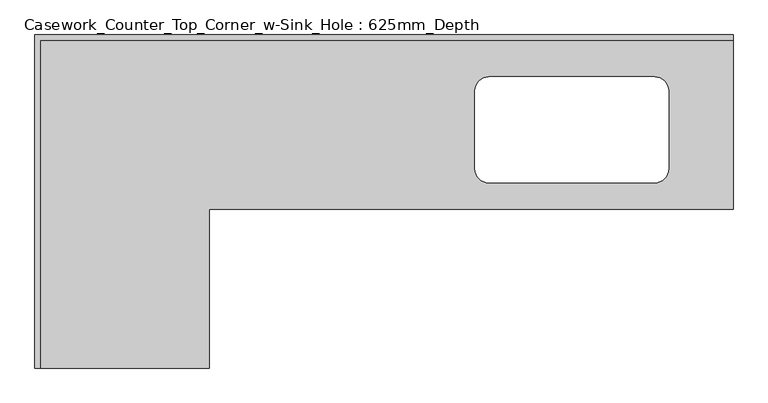
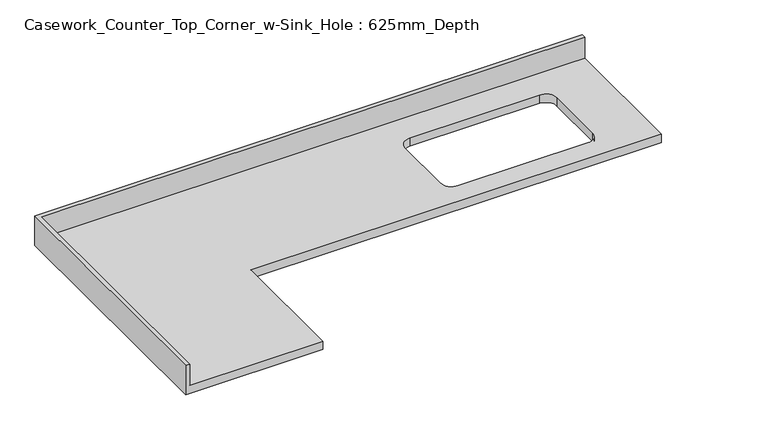
"""IFC4 building model written with IfcOpenShell, lengths in millimetres: furniture geometry, Casework_Counter_Top_Corner_w-Sink_Hole : 625mm_Depth."""

from ifc_helpers import new_model, si_unit, frame, origin, place, context, project, spatial, polyline, circle_curve, source, transform, mapped, element, save
from ifc_brep_helpers import plane_surface, revolved_surface, advanced_brep


def casework_counter_top_corner_w_sink_hole_625mm_depth_dcf650e9(model_context):
    return source(origin(), model_context, "Body", "AdvancedBrep", [
        advanced_brep(
        [(-575.4622951, -1192.8899066, 900.0), (-575.4622951, -625.0, 900.0), (1299.5377049, -625.0, 900.0), (1299.5377049, -19.05, 900.0), (-1181.4122951, -19.05, 900.0), (-1181.4122951, -1192.8899066, 900.0), (1018.2632325, -150.0, 900.0), (1068.2632325, -200.0, 900.0), (1068.2632325, -480.0, 900.0), (1018.2632325, -530.0, 900.0), (425.2827097, -530.0, 900.0), (375.2827097, -480.0, 900.0), (375.2827097, -200.0, 900.0), (425.2827097, -150.0, 900.0), (1299.5377049, 0.0, 860.0), (1299.5377049, -625.0, 860.0), (-575.4622951, -625.0, 860.0), (-575.4622951, -1192.8899066, 860.0), (-1200.4622951, -1192.8899066, 860.0), (-1200.4622951, 0.0, 860.0), (1018.2632325, -150.0, 860.0), (425.2827097, -150.0, 860.0), (375.2827097, -200.0, 860.0), (375.2827097, -480.0, 860.0), (425.2827097, -530.0, 860.0), (1018.2632325, -530.0, 860.0), (1068.2632325, -480.0, 860.0), (1068.2632325, -200.0, 860.0), (-1200.4622951, 0.0, 1001.6), (1299.5377049, 0.0, 1001.6), (-1200.4622951, -1192.8899066, 1001.6), (-1181.4122951, -1192.8899066, 1001.6), (1299.5377049, -19.05, 1001.6), (-1181.4122951, -19.05, 1001.6)],
        [
            (0, 1),
            (1, 2),
            (2, 3),
            (3, 4),
            (4, 5),
            (5, 0),
            (6, 7, circle_curve(frame((1018.2632325, -200.0, 900.0), z_axis=(0.0, 0.0, -1.0), x_axis=(1.0, 0.0, 0.0)), 50.0)),
            (7, 8),
            (8, 9, circle_curve(frame((1018.2632325, -480.0, 900.0), z_axis=(0.0, 0.0, -1.0), x_axis=(1.0, 0.0, 0.0)), 50.0)),
            (9, 10),
            (10, 11, circle_curve(frame((425.2827097, -480.0, 900.0), z_axis=(0.0, 0.0, -1.0), x_axis=(1.0, 0.0, 0.0)), 50.0)),
            (11, 12),
            (12, 13, circle_curve(frame((425.2827097, -200.0, 900.0), z_axis=(0.0, 0.0, -1.0), x_axis=(1.0, 0.0, 0.0)), 50.0)),
            (13, 6),
            (14, 15),
            (15, 16),
            (16, 17),
            (17, 18),
            (18, 19),
            (19, 14),
            (20, 21),
            (21, 22, circle_curve(frame((425.2827097, -200.0, 860.0), z_axis=(0.0, 0.0, 1.0), x_axis=(1.0, 0.0, 0.0)), 50.0)),
            (22, 23),
            (23, 24, circle_curve(frame((425.2827097, -480.0, 860.0), z_axis=(0.0, 0.0, 1.0), x_axis=(1.0, 0.0, 0.0)), 50.0)),
            (24, 25),
            (25, 26, circle_curve(frame((1018.2632325, -480.0, 860.0), z_axis=(0.0, 0.0, 1.0), x_axis=(1.0, 0.0, 0.0)), 50.0)),
            (26, 27),
            (27, 20, circle_curve(frame((1018.2632325, -200.0, 860.0), z_axis=(0.0, 0.0, 1.0), x_axis=(1.0, 0.0, 0.0)), 50.0)),
            (19, 28),
            (28, 29),
            (29, 14),
            (18, 30),
            (30, 28),
            (17, 0),
            (5, 31),
            (31, 30),
            (16, 1),
            (15, 2),
            (29, 32),
            (32, 3),
            (6, 20),
            (27, 7),
            (26, 8),
            (25, 9),
            (24, 10),
            (23, 11),
            (22, 12),
            (21, 13),
            (31, 33),
            (33, 32),
            (33, 4),
        ],
        [
            plane_surface(frame((-1200.4622951, 0.0, 900.0), z_axis=(0.0, 0.0, 1.0), x_axis=(-1.0, 0.0, 0.0))),
            plane_surface(frame((-1200.4622951, 0.0, 860.0), z_axis=(0.0, 0.0, -1.0), x_axis=(1.0, 0.0, 0.0))),
            plane_surface(frame((1299.5377049, 0.0, 900.0), z_axis=(0.0, 1.0, 0.0), x_axis=(0.0, 0.0, -1.0))),
            plane_surface(frame((-1200.4622951, 0.0, 900.0), z_axis=(-1.0, 0.0, 0.0), x_axis=(0.0, 0.0, -1.0))),
            plane_surface(frame((-1200.4622951, -1192.8899066, 900.0), z_axis=(0.0, -1.0, 0.0), x_axis=(0.0, 0.0, -1.0))),
            plane_surface(frame((-575.4622951, -1192.8899066, 900.0), z_axis=(1.0, 0.0, 0.0), x_axis=(0.0, 0.0, -1.0))),
            plane_surface(frame((-575.4622951, -625.0, 900.0), z_axis=(0.0, -1.0, 0.0), x_axis=(0.0, 0.0, -1.0))),
            plane_surface(frame((1299.5377049, -625.0, 900.0), z_axis=(1.0, 0.0, 0.0), x_axis=(0.0, 0.0, -1.0))),
            revolved_surface(polyline([(1068.2632325, -200.0, 860.0), (1068.2632325, -200.0, 900.0)]), (1018.2632325, -200.0, 0.0), (0.0, 0.0, -1.0)),
            plane_surface(frame((1068.2632325, -200.0, 900.0), z_axis=(-1.0, 0.0, 0.0), x_axis=(0.0, 0.0, -1.0))),
            revolved_surface(polyline([(1068.2632325, -480.0, 860.0), (1068.2632325, -480.0, 900.0)]), (1018.2632325, -480.0, 0.0), (0.0, 0.0, -1.0)),
            plane_surface(frame((1018.2632325, -530.0, 900.0), z_axis=(0.0, 1.0, 0.0), x_axis=(0.0, 0.0, -1.0))),
            revolved_surface(polyline([(475.2827097, -480.0, 860.0), (475.2827097, -480.0, 900.0)]), (425.2827097, -480.0, 0.0), (0.0, 0.0, -1.0)),
            plane_surface(frame((375.2827097, -480.0, 900.0), z_axis=(1.0, 0.0, 0.0), x_axis=(0.0, 0.0, -1.0))),
            revolved_surface(polyline([(475.2827097, -200.0, 860.0), (475.2827097, -200.0, 900.0)]), (425.2827097, -200.0, 0.0), (0.0, 0.0, -1.0)),
            plane_surface(frame((425.2827097, -150.0, 900.0), z_axis=(0.0, -1.0, 0.0), x_axis=(0.0, 0.0, -1.0))),
            plane_surface(frame((-1200.4622951, 0.0, 1001.6), z_axis=(0.0, 0.0, 1.0), x_axis=(0.0, -1.0, 0.0))),
            plane_surface(frame((-1200.4622951, -19.05, 1001.6), z_axis=(0.0, -1.0, 0.0), x_axis=(0.0, 0.0, -1.0))),
            plane_surface(frame((-1181.4122951, -1192.8899066, 1001.6), z_axis=(1.0, 0.0, 0.0), x_axis=(0.0, 0.0, -1.0))),
        ],
        [
            (0, [[1, 2, 3, 4, 5, 6], [7, 8, 9, 10, 11, 12, 13, 14]]),
            (1, [[15, 16, 17, 18, 19, 20], [21, 22, 23, 24, 25, 26, 27, 28]]),
            (2, [[-20, 29, 30, 31]]),
            (3, [[-19, 32, 33, -29]]),
            (4, [[-32, -18, 34, -6, 35, 36]]),
            (5, [[-1, -34, -17, 37]]),
            (6, [[-2, -37, -16, 38]]),
            (7, [[-15, -31, 39, 40, -3, -38]]),
            (8, [[-7, 41, -28, 42]]),
            (9, [[-8, -42, -27, 43]]),
            (10, [[-9, -43, -26, 44]]),
            (11, [[-10, -44, -25, 45]]),
            (12, [[-11, -45, -24, 46]]),
            (13, [[-12, -46, -23, 47]]),
            (14, [[-13, -47, -22, 48]]),
            (15, [[-14, -48, -21, -41]]),
            (16, [[-33, -36, 49, 50, -39, -30]]),
            (17, [[-40, -50, 51, -4]]),
            (18, [[-49, -35, -5, -51]]),
        ],
    ),
    ])


if __name__ == "__main__":
    model = new_model("IFC4")
    model_context = context("Model", 3, world=origin())
    ifc_project = project(units=[si_unit("LENGTHUNIT", "METRE", prefix="MILLI")], contexts=[model_context])
    site = spatial("IfcSite", under=ifc_project)
    building = spatial("IfcBuilding", under=site)
    placement = place(None, origin())
    casework_counter_top_corner_w_sink_hole_625mm_depth_shape = casework_counter_top_corner_w_sink_hole_625mm_depth_dcf650e9(model_context)
    element("IfcFurniture", 1, ObjectType="Casework_Counter_Top_Corner_w-Sink_Hole : 625mm_Depth", at=placement, inside=building, context=model_context, shape_type="MappedRepresentation", body=[
        mapped(casework_counter_top_corner_w_sink_hole_625mm_depth_shape, transform((0.0, 0.0, 0.0), x_axis=(1.0, 0.0, 0.0), y_axis=(0.0, 1.0, 0.0), z_axis=(0.0, 0.0, 1.0))),
    ])
    save(model, "model.ifc")
